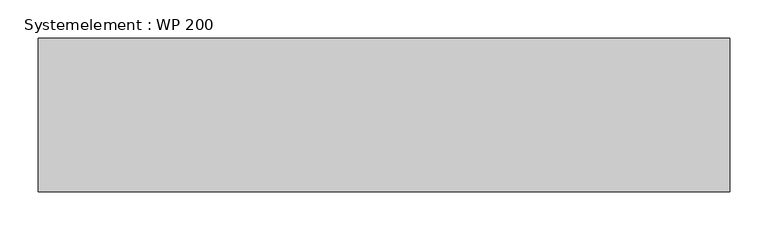
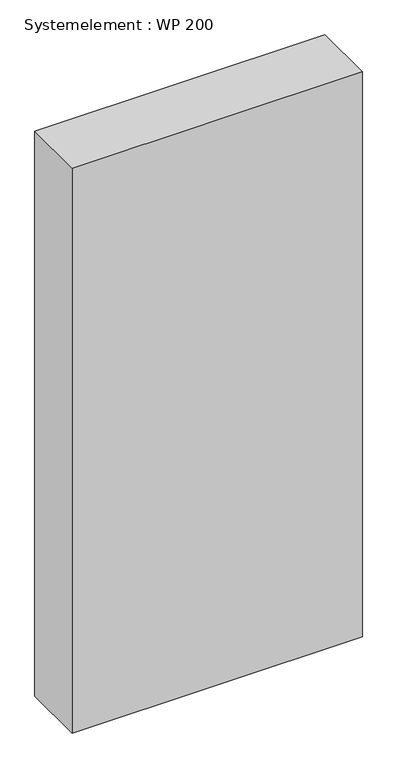
"""IFC4 building model written with IfcOpenShell, lengths in millimetres: plate geometry, Systemelement : WP 200."""

import ifcopenshell
import ifcopenshell.guid

model = None  # the IFC model being written
_history = None  # IfcOwnerHistory: only IFC2X3 demands one
_inside = {}  # id of a spatial element -> (the spatial element, [elements in it])
_under = {}  # id of a project, library or spatial element -> (it, [spatial elements below it])
_declared = {}  # id of a project -> (the project, [libraries it declares])
_typed = {}  # id of a type object -> (the type object, [elements of that type])
_made_of = {}  # id of a material, layer set ... -> (it, [elements and type objects made of it])


def new_model(schema):
    """Start an empty IFC model of exactly this schema.

    Asked for "IFC4X3", IfcOpenShell would pick the latest addendum, in which some entities
    have other attributes; the version numbers below select the first issue.
    IFC2X3 requires an IfcOwnerHistory on every rooted entity: one is made here for all.
    """
    global model, _history
    if schema == "IFC4X3":
        model = ifcopenshell.file(schema_version=(4, 3, 0, 0))
    else:
        model = ifcopenshell.file(schema=schema)
    _inside.clear()
    _under.clear()
    _declared.clear()
    _typed.clear()
    _made_of.clear()
    _history = None
    if model.schema == "IFC2X3":
        org = make("IfcOrganization", Name="unknown")
        user = make(
            "IfcPersonAndOrganization",
            ThePerson=make("IfcPerson", FamilyName="unknown"),
            TheOrganization=org,
        )
        app = make(
            "IfcApplication",
            ApplicationDeveloper=org,
            Version="unknown",
            ApplicationFullName="unknown",
            ApplicationIdentifier="unknown",
        )
        _history = make(
            "IfcOwnerHistory",
            OwningUser=user,
            OwningApplication=app,
            ChangeAction="ADDED",
            CreationDate=0,
        )
    return model


def make(cls, **values):
    """One entity of the class cls with the attributes given. An attribute that is None is left unset."""
    return model.create_entity(
        cls, **{name: value for name, value in values.items() if value is not None}
    )


def rooted(cls, **values):
    """An entity with a GlobalId (a new one), such as an element, a storey or a relation."""
    return make(cls, GlobalId=ifcopenshell.guid.new(), OwnerHistory=_history, **values)


def si_unit(unit_type, name, prefix=None):
    """IfcSIUnit, for example si_unit("LENGTHUNIT", "METRE", prefix="MILLI")."""
    return make("IfcSIUnit", UnitType=unit_type, Prefix=prefix, Name=name)


def assignment(units):
    """IfcUnitAssignment: the units of a project."""
    return None if units is None else make("IfcUnitAssignment", Units=units)


def point(xyz):
    """IfcCartesianPoint."""
    return None if xyz is None else make("IfcCartesianPoint", Coordinates=xyz)


def direction(xyz):
    """IfcDirection."""
    return None if xyz is None else make("IfcDirection", DirectionRatios=xyz)


def frame(location, z_axis=None, x_axis=None):
    """IfcAxis2Placement3D, a coordinate frame: its origin and axes. An axis left out is left unset."""
    return make(
        "IfcAxis2Placement3D",
        Location=point(location),
        Axis=direction(z_axis),
        RefDirection=direction(x_axis),
    )


def origin():
    """The frame at (0, 0, 0) with its axes left unset."""
    return frame((0.0, 0.0, 0.0))


def origin_with_axes():
    """The frame at (0, 0, 0) with the z axis (0, 0, 1) and the x axis (1, 0, 0) written out."""
    return frame((0.0, 0.0, 0.0), z_axis=(0.0, 0.0, 1.0), x_axis=(1.0, 0.0, 0.0))


def place(relative_to, where):
    """IfcLocalPlacement: puts the frame where relative to a parent placement (None: the world)."""
    return make(
        "IfcLocalPlacement", PlacementRelTo=relative_to, RelativePlacement=where
    )


def context(
    kind, dimensions, precision=None, world=None, true_north=None, identifier=None
):
    """IfcGeometricRepresentationContext, for example the 3D "Model" context."""
    return make(
        "IfcGeometricRepresentationContext",
        ContextIdentifier=identifier,
        ContextType=kind,
        CoordinateSpaceDimension=dimensions,
        Precision=precision,
        WorldCoordinateSystem=world,
        TrueNorth=true_north,
    )


def project(units=None, contexts=None):
    """IfcProject with its units and contexts."""
    return rooted(
        "IfcProject",
        Name="project",
        RepresentationContexts=contexts,
        UnitsInContext=assignment(units),
    )


def spatial(cls, under=None, at=None, **own):
    """A site, building, storey or space (cls), placed at a placement, below another one or the project."""
    s = rooted(cls, ObjectPlacement=at, **own)
    if under is not None:
        _under.setdefault(under.id(), (under, []))[1].append(s)
    return s


def polyline(points):
    """IfcPolyline through the points."""
    return make("IfcPolyline", Points=[point(p) for p in points])


def outline(outer, holes=None, kind="AREA"):
    """IfcArbitraryClosedProfileDef: a profile drawn as a closed curve; with holes, ...WithVoids."""
    if holes is None:
        return make("IfcArbitraryClosedProfileDef", ProfileType=kind, OuterCurve=outer)
    return make(
        "IfcArbitraryProfileDefWithVoids",
        ProfileType=kind,
        OuterCurve=outer,
        InnerCurves=holes,
    )


def extrude(swept, where, along, depth):
    """IfcExtrudedAreaSolid: the profile swept, set in the frame where, extruded along a direction by depth."""
    return make(
        "IfcExtrudedAreaSolid",
        SweptArea=swept,
        Position=where,
        ExtrudedDirection=direction(along),
        Depth=depth,
    )


def shape(context_of_items, identifier, shape_type, items):
    """IfcShapeRepresentation: the items that make up one representation, for example the "Body"."""
    return make(
        "IfcShapeRepresentation",
        ContextOfItems=context_of_items,
        RepresentationIdentifier=identifier,
        RepresentationType=shape_type,
        Items=items,
    )


def source(mapping_origin, context_of_items, identifier, shape_type, items):
    """IfcRepresentationMap: a shape defined once, which mapped items show again and again."""
    return make(
        "IfcRepresentationMap",
        MappingOrigin=mapping_origin,
        MappedRepresentation=shape(context_of_items, identifier, shape_type, items),
    )


def transform(
    local_origin,
    x_axis=None,
    y_axis=None,
    z_axis=None,
    scale=None,
    scale2=None,
    scale3=None,
    uniform=True,
):
    """IfcCartesianTransformationOperator3D, or its non-uniform kind. x_axis, y_axis, z_axis: its Axis1, 2, 3."""
    if uniform:
        return make(
            "IfcCartesianTransformationOperator3D",
            Axis1=direction(x_axis),
            Axis2=direction(y_axis),
            LocalOrigin=point(local_origin),
            Scale=scale,
            Axis3=direction(z_axis),
        )
    return make(
        "IfcCartesianTransformationOperator3DnonUniform",
        Axis1=direction(x_axis),
        Axis2=direction(y_axis),
        LocalOrigin=point(local_origin),
        Scale=scale,
        Axis3=direction(z_axis),
        Scale2=scale2,
        Scale3=scale3,
    )


def mapped(mapping_source, mapping_target):
    """IfcMappedItem: shows the shape of a source again, moved by a transform."""
    return make(
        "IfcMappedItem", MappingSource=mapping_source, MappingTarget=mapping_target
    )


def made_of(thing, what):
    """Note that an element or type object is made of a material, layer set ...; save() writes the relation."""
    if what is not None:
        _made_of.setdefault(what.id(), (what, []))[1].append(thing)
    return thing


def element(
    cls,
    number,
    at=None,
    inside=None,
    cuts=None,
    type_object=None,
    material=None,
    context=None,
    identifier="Body",
    shape_type=None,
    held_by="IfcProductDefinitionShape",
    body=None,
    shapes=None,
    **own,
):
    """One element of the class cls, such as IfcWall. Its Tag is "e" and its number.

    at: its placement. inside: the storey or other place that contains it. cuts: it is an
    opening in that element (IfcRelVoidsElement). A single representation is given by context,
    identifier, shape_type and body (its items); several are given by shapes. held_by: the class
    of the entity that holds the representations. save() writes the other relations.
    """
    e = rooted(cls, Tag="e%d" % number, ObjectPlacement=at, **own)
    if body is not None:
        shapes = [shape(context, identifier, shape_type, body)]
    if shapes is not None:
        e.Representation = make(held_by, Representations=shapes)
    if inside is not None:
        _inside.setdefault(inside.id(), (inside, []))[1].append(e)
    if cuts is not None:
        rooted(
            "IfcRelVoidsElement", RelatingBuildingElement=cuts, RelatedOpeningElement=e
        )
    if type_object is not None:
        _typed.setdefault(type_object.id(), (type_object, []))[1].append(e)
    return made_of(e, material)


def aggregate(whole, parts):
    """IfcRelAggregates: a whole, such as a stair, and the parts it consists of."""
    return rooted("IfcRelAggregates", RelatingObject=whole, RelatedObjects=parts)


def save(model, path):
    """Write the relations noted so far, then the file.

    IfcRelAggregates (storeys below a building ...), IfcRelContainedInSpatialStructure (elements
    in a storey), IfcRelDefinesByType, IfcRelAssociatesMaterial and IfcRelDeclares: one each for
    every whole, place, type object, material and project.
    """
    for whole, parts in _under.values():
        aggregate(whole, parts)
    for where, things in _inside.values():
        rooted(
            "IfcRelContainedInSpatialStructure",
            RelatedElements=things,
            RelatingStructure=where,
        )
    for kind, things in _typed.values():
        rooted("IfcRelDefinesByType", RelatedObjects=things, RelatingType=kind)
    for what, things in _made_of.values():
        rooted("IfcRelAssociatesMaterial", RelatedObjects=things, RelatingMaterial=what)
    for by, libraries in _declared.values():
        rooted("IfcRelDeclares", RelatingContext=by, RelatedDefinitions=libraries)
    model.write(path)


def systemelement_wp_200_ad1db620(model_context):
    return source(origin(), model_context, "Body", "SweptSolid", [
        extrude(outline(polyline([(450.0, -200.0), (-450.0, -200.0), (-450.0, 0.0), (450.0, 0.0), (450.0, -200.0)])), origin_with_axes(), (0.0, 0.0, 1.0), 1851.6147161),
    ])


if __name__ == "__main__":
    model = new_model("IFC4")
    model_context = context("Model", 3, world=origin())
    ifc_project = project(units=[si_unit("LENGTHUNIT", "METRE", prefix="MILLI")], contexts=[model_context])
    site = spatial("IfcSite", under=ifc_project)
    building = spatial("IfcBuilding", under=site)
    placement = place(None, origin())
    systemelement_wp_200_shape = systemelement_wp_200_ad1db620(model_context)
    element("IfcPlate", 1, ObjectType="Systemelement : WP 200", at=placement, inside=building, context=model_context, shape_type="MappedRepresentation", body=[
        mapped(systemelement_wp_200_shape, transform((0.0, 0.0, 0.0), x_axis=(1.0, 0.0, 0.0), y_axis=(0.0, 1.0, 0.0), z_axis=(0.0, 0.0, 1.0))),
    ])
    save(model, "model.ifc")
